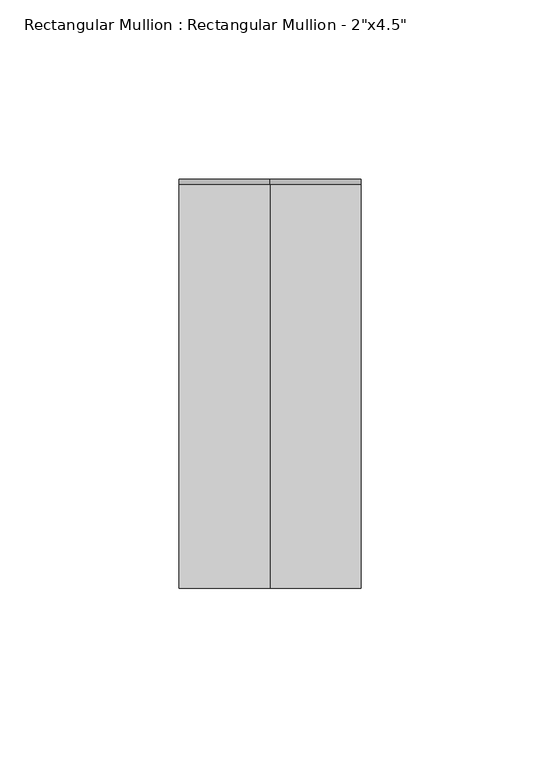
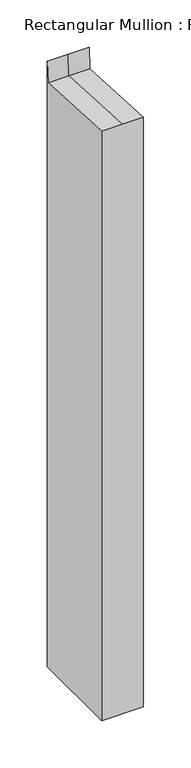
"""IFC4 building model written with IfcOpenShell, lengths in millimetres: member geometry."""

from ifc_helpers import new_model, si_unit, origin, place, context, project, spatial, faceted_brep, source, transform, mapped, element, save


def member_3a42a8be(model_context):
    return source(origin(), model_context, "Body", "Brep", [
        faceted_brep([(25.4, 57.15, -756.3677534), (25.4, -57.15, -756.3677534), (-25.4, -57.15, -756.3677534), (-25.4, 57.15, -756.3677534), (-25.4, 57.15, 23.8784047), (0.0, 57.15, 23.8784047), (25.4, 57.15, 23.8784047), (-25.4, -57.15, 3.0093132), (-25.4, 55.7174627, -3.0050498), (25.4, -57.15, 3.0093132), (0.0, -57.15, 3.0093132), (25.4, 55.7174627, -3.0050498), (0.0, 55.7174627, -3.0050498)], [[[0, 1, 2, 3]], [[4, 5, 6, 0, 3]], [[7, 8, 4, 3, 2]], [[9, 10, 7, 2, 1]], [[6, 11, 9, 1, 0]], [[6, 5, 12, 11]], [[5, 4, 8, 12]], [[8, 7, 10, 12]], [[10, 9, 11, 12]]]),
    ])


if __name__ == "__main__":
    model = new_model("IFC4")
    model_context = context("Model", 3, world=origin())
    ifc_project = project(units=[si_unit("LENGTHUNIT", "METRE", prefix="MILLI")], contexts=[model_context])
    site = spatial("IfcSite", under=ifc_project)
    building = spatial("IfcBuilding", under=site)
    placement = place(None, origin())
    member_shape = member_3a42a8be(model_context)
    element("IfcMember", 1, ObjectType="Rectangular Mullion : Rectangular Mullion - 2\"x4.5\"", at=placement, inside=building, context=model_context, shape_type="MappedRepresentation", body=[
        mapped(member_shape, transform((0.0, 0.0, 0.0), x_axis=(1.0, 0.0, 0.0), y_axis=(0.0, 1.0, 0.0), z_axis=(0.0, 0.0, 1.0))),
    ])
    save(model, "model.ifc")
